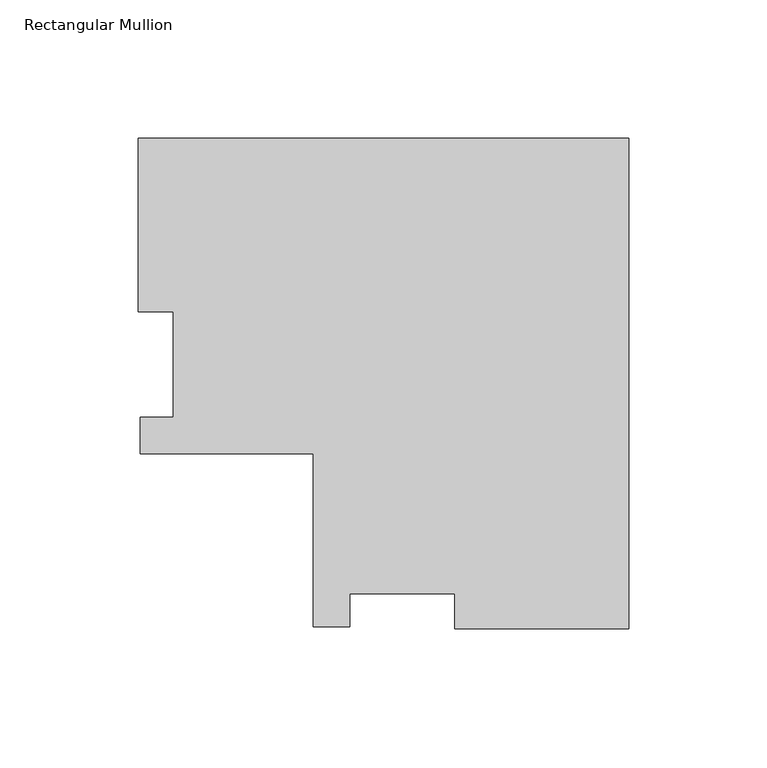
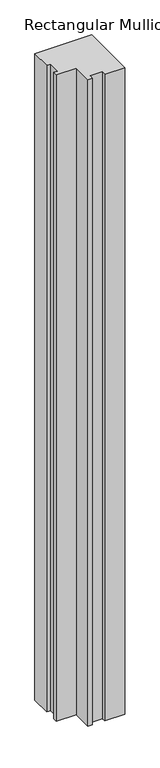
"""IFC4 building model written with IfcOpenShell, lengths in millimetres: member geometry, Rectangular Mullion."""

from ifc_helpers import new_model, si_unit, frame, origin, place, context, project, spatial, polyline, outline, extrude, source, transform, mapped, element, save


def rectangular_mullion_1fbd7a08(model_context):
    return source(origin(), model_context, "Body", "SweptSolid", [
        extrude(outline(polyline([(-177.77968, 115.5779375), (0.0, 115.5779375), (0.0, -62.2017425), (-62.992, -62.2017425), (-62.992, -49.5025469), (-101.092, -49.5025469), (-101.092, -61.4143425), (-114.27968, -61.4143425), (-114.27968, 1.2982575), (-176.9922794, 1.2982575), (-176.9922794, 14.4859375), (-165.0804844, 14.4859375), (-165.0804844, 52.5859375), (-177.77968, 52.5859375), (-177.77968, 115.5779375)])), frame((0.0, 0.0, -2133.6), z_axis=(0.0, 0.0, 1.0), x_axis=(1.0, 0.0, 0.0)), (0.0, 0.0, 1.0), 2133.6),
    ])


if __name__ == "__main__":
    model = new_model("IFC4")
    model_context = context("Model", 3, world=origin())
    ifc_project = project(units=[si_unit("LENGTHUNIT", "METRE", prefix="MILLI")], contexts=[model_context])
    site = spatial("IfcSite", under=ifc_project)
    building = spatial("IfcBuilding", under=site)
    placement = place(None, origin())
    rectangular_mullion_shape = rectangular_mullion_1fbd7a08(model_context)
    element("IfcMember", 1, ObjectType="Rectangular Mullion", at=placement, inside=building, context=model_context, shape_type="MappedRepresentation", body=[
        mapped(rectangular_mullion_shape, transform((0.0, 0.0, 0.0), x_axis=(1.0, 0.0, 0.0), y_axis=(0.0, 1.0, 0.0), z_axis=(0.0, 0.0, 1.0))),
    ])
    save(model, "model.ifc")
